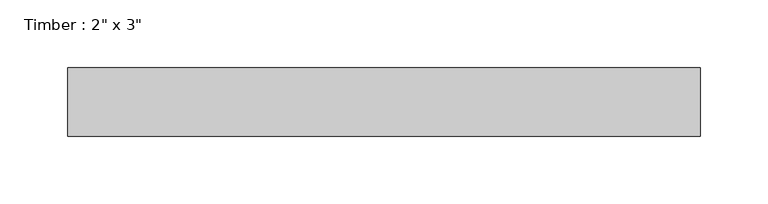
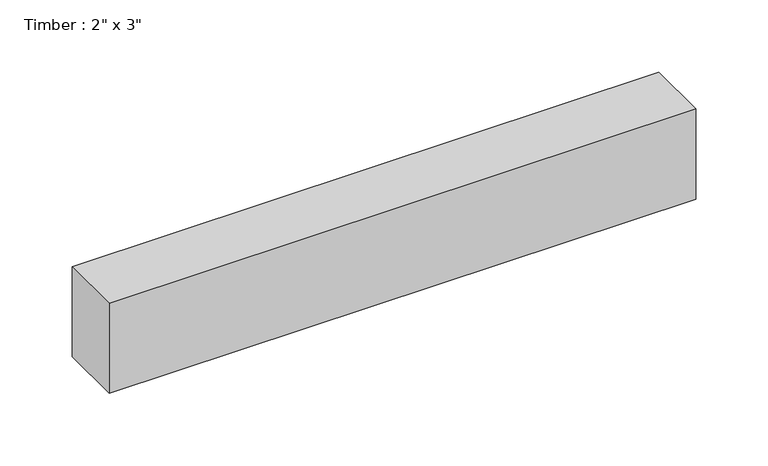
"""IFC4 building model written with IfcOpenShell, lengths in millimetres: beam geometry."""

from ifc_helpers import new_model, si_unit, frame, origin, place, context, project, spatial, polyline, outline, extrude, source, transform, mapped, element, save


def beam_ee6f6494(model_context):
    return source(origin(), model_context, "Body", "SweptSolid", [
        extrude(outline(polyline([(234.2662022, -25.4), (-234.2662022, -25.4), (-234.2662022, 25.4), (234.2662022, 25.4), (234.2662022, -25.4)])), frame((0.0, 0.0, -38.1), z_axis=(0.0, 0.0, 1.0), x_axis=(1.0, 0.0, 0.0)), (0.0, 0.0, 1.0), 76.2),
    ])


if __name__ == "__main__":
    model = new_model("IFC4")
    model_context = context("Model", 3, world=origin())
    ifc_project = project(units=[si_unit("LENGTHUNIT", "METRE", prefix="MILLI")], contexts=[model_context])
    site = spatial("IfcSite", under=ifc_project)
    building = spatial("IfcBuilding", under=site)
    placement = place(None, origin())
    beam_shape = beam_ee6f6494(model_context)
    element("IfcBeam", 1, ObjectType="Timber : 2\" x 3\"", at=placement, inside=building, context=model_context, shape_type="MappedRepresentation", body=[
        mapped(beam_shape, transform((0.0, 0.0, 0.0), x_axis=(1.0, 0.0, 0.0), y_axis=(0.0, 1.0, 0.0), z_axis=(0.0, 0.0, 1.0))),
    ])
    save(model, "model.ifc")
